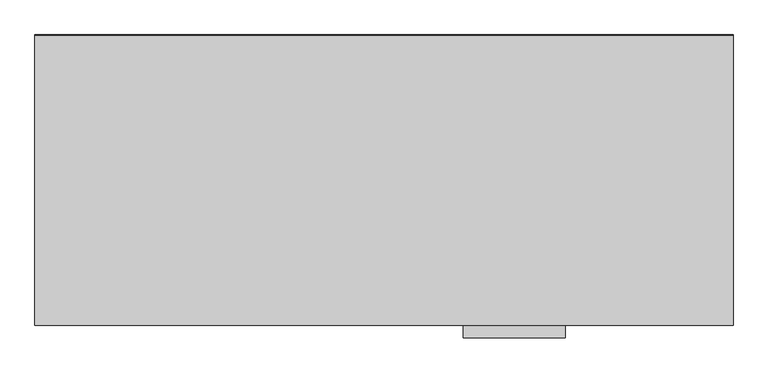
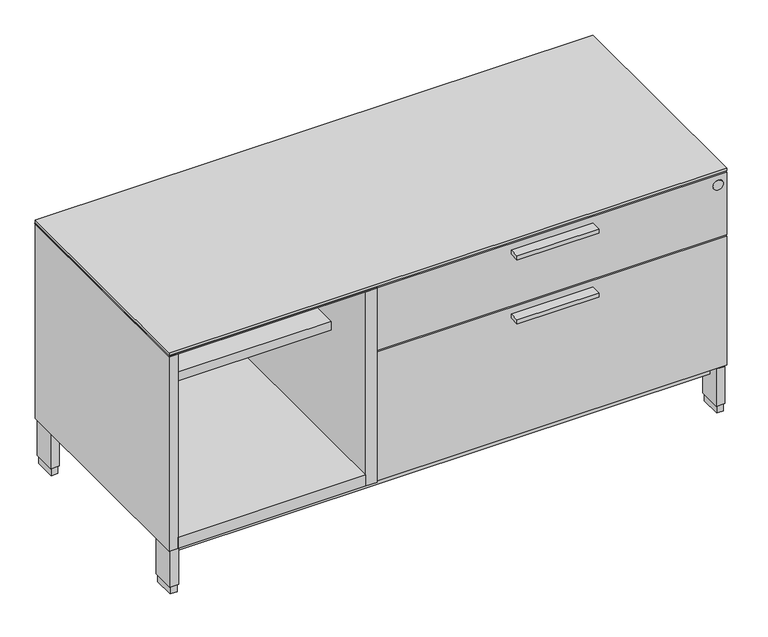
"""IFC4 building model written with IfcOpenShell, lengths in millimetres: furniture geometry."""

from ifc_helpers import new_model, si_unit, point, frame, frame_2d, origin, origin_with_axes, place, context, project, spatial, polyline, circle_curve, trimmed, segment, composite_curve, outline, extrude, source, transform, mapped, element, save


def furniture_b4c6b25c(model_context):
    return source(origin(), model_context, "Body", "SweptSolid", [
        extrude(outline(polyline([(925.5125, -528.574), (747.7125, -528.574), (747.7125, -506.349), (925.5125, -506.349), (925.5125, -528.574)])), frame((0.0, 0.0, 378.83846), z_axis=(0.0, 0.0, 1.0), x_axis=(1.0, 0.0, 0.0)), (0.0, 0.0, 1.0), 9.525),
        extrude(outline(polyline([(925.5125, -528.574), (747.7125, -528.574), (747.7125, -506.349), (925.5125, -506.349), (925.5125, -528.574)])), frame((0.0, 0.0, 526.28546), z_axis=(0.0, 0.0, 1.0), x_axis=(1.0, 0.0, 0.0)), (0.0, 0.0, 1.0), 9.525),
        extrude(outline(polyline([(21.0185, -20.828), (430.2125, -20.828), (430.2125, -375.8184), (21.0185, -375.8184), (21.0185, -20.828)])), frame((0.0, 0.0, 383.0828), z_axis=(0.0, 0.0, 1.0), x_axis=(1.0, 0.0, 0.0)), (0.0, 0.0, 1.0), 20.3454),
        extrude(outline(polyline([(21.0185, -20.828), (430.2125, -20.828), (430.2125, -506.349), (21.0185, -506.349), (21.0185, -20.828)])), frame((0.0, 0.0, 103.2002), z_axis=(0.0, 0.0, 1.0), x_axis=(1.0, 0.0, 0.0)), (0.0, 0.0, 1.0), 25.4),
        extrude(outline(polyline([(1.5875, 0.0), (1217.6125, 0.0), (1217.6125, -487.172), (455.6125, -487.172), (455.6125, -506.349), (1.5875, -506.349), (1.5875, 0.0)])), frame((0.0, 0.0, 550.8752), z_axis=(0.0, 0.0, 1.0), x_axis=(1.0, 0.0, 0.0)), (0.0, 0.0, 1.0), 1.5875),
        extrude(outline(polyline([(430.2125, -20.828), (455.6125, -20.828), (455.6125, -506.349), (430.2125, -506.349), (430.2125, -20.828)])), frame((0.0, 0.0, 103.2002), z_axis=(0.0, 0.0, 1.0), x_axis=(1.0, 0.0, 0.0)), (0.0, 0.0, 1.0), 447.675),
        extrude(outline(polyline([(21.2979, -5.715), (21.2979, -52.197), (6.5659, -52.197), (6.5659, -5.715), (21.2979, -5.715)])), origin_with_axes(), (0.0, 0.0, 1.0), 17.399),
        extrude(outline(polyline([(21.2979, -455.676), (21.2979, -502.158), (6.5659, -502.158), (6.5659, -455.676), (21.2979, -455.676)])), origin_with_axes(), (0.0, 0.0, 1.0), 17.399),
        extrude(outline(polyline([(1212.6341, -455.676), (1212.6341, -502.158), (1197.9021, -502.158), (1197.9021, -455.676), (1212.6341, -455.676)])), origin_with_axes(), (0.0, 0.0, 1.0), 17.399),
        extrude(outline(polyline([(1212.6341, -5.715), (1212.6341, -52.197), (1197.9021, -52.197), (1197.9021, -5.715), (1212.6341, -5.715)])), origin_with_axes(), (0.0, 0.0, 1.0), 17.399),
        extrude(outline(polyline([(23.4569, -3.556), (23.4569, -54.356), (4.4069, -54.356), (4.4069, -3.556), (23.4569, -3.556)])), frame((0.0, 0.0, 17.399), z_axis=(0.0, 0.0, 1.0), x_axis=(1.0, 0.0, 0.0)), (0.0, 0.0, 1.0), 85.8012),
        extrude(outline(polyline([(1214.7931, -3.556), (1214.7931, -54.356), (1195.7431, -54.356), (1195.7431, -3.556), (1214.7931, -3.556)])), frame((0.0, 0.0, 17.399), z_axis=(0.0, 0.0, 1.0), x_axis=(1.0, 0.0, 0.0)), (0.0, 0.0, 1.0), 85.8012),
        extrude(outline(polyline([(1214.7931, -453.517), (1214.7931, -504.317), (1195.7431, -504.317), (1195.7431, -453.517), (1214.7931, -453.517)])), frame((0.0, 0.0, 17.399), z_axis=(0.0, 0.0, 1.0), x_axis=(1.0, 0.0, 0.0)), (0.0, 0.0, 1.0), 85.8012),
        extrude(outline(polyline([(23.4569, -453.517), (23.4569, -504.317), (4.4069, -504.317), (4.4069, -453.517), (23.4569, -453.517)])), frame((0.0, 0.0, 17.399), z_axis=(0.0, 0.0, 1.0), x_axis=(1.0, 0.0, 0.0)), (0.0, 0.0, 1.0), 85.8012),
        extrude(outline(polyline([(1195.7431, -26.99766), (1195.7431, -480.87534), (23.4569, -480.87534), (23.4569, -26.99766), (1195.7431, -26.99766)])), frame((0.0, 0.0, 77.8002), z_axis=(0.0, 0.0, 1.0), x_axis=(1.0, 0.0, 0.0)), (0.0, 0.0, 1.0), 25.4),
        extrude(outline(polyline([(1217.6125, -487.172), (1217.6125, -506.349), (455.6125, -506.349), (455.6125, -487.172), (1217.6125, -487.172)])), frame((0.0, 0.0, 106.3752), z_axis=(0.0, 0.0, 1.0), x_axis=(1.0, 0.0, 0.0)), (0.0, 0.0, 1.0), 297.053),
        extrude(outline(polyline([(1217.6125, -487.172), (1217.6125, -506.349), (455.6125, -506.349), (455.6125, -487.172), (1217.6125, -487.172)])), frame((0.0, 0.0, 406.6032), z_axis=(0.0, 0.0, 1.0), x_axis=(1.0, 0.0, 0.0)), (0.0, 0.0, 1.0), 144.272),
        extrude(outline(composite_curve([segment(trimmed(circle_curve(frame_2d((528.3708, 1198.5625)), 11.176), [point((528.3708, 1209.7385))], [point((528.3708, 1187.3865))], False, "CARTESIAN"), True, "CONTINUOUS"), segment(trimmed(circle_curve(frame_2d((528.3708, 1198.5625)), 11.176), [point((528.3708, 1187.3865))], [point((528.3708, 1209.7385))], False, "CARTESIAN"), True, "CONTINUOUS")], self_intersect=False)), frame((0.0, -506.9614948, 0.0), z_axis=(0.0, 1.0, 0.0), x_axis=(0.0, 0.0, 1.0)), (0.0, 0.0, 1.0), 5.0524148),
        extrude(outline(polyline([(1217.6125, -506.349), (1.5875, -506.349), (1.5875, -1.524), (1217.6125, -1.524), (1217.6125, -506.349)])), frame((0.0, 0.0, 554.0502), z_axis=(0.0, 0.0, 1.0), x_axis=(1.0, 0.0, 0.0)), (0.0, 0.0, 1.0), 6.35),
        extrude(outline(polyline([(1.5875, -1.524), (1217.6125, -1.524), (1217.6125, -483.2858), (1198.1815, -483.2858), (1198.1815, -20.828), (21.0185, -20.828), (21.0185, -506.349), (1.5875, -506.349), (1.5875, -1.524)])), frame((0.0, 0.0, 103.2002), z_axis=(0.0, 0.0, 1.0), x_axis=(1.0, 0.0, 0.0)), (0.0, 0.0, 1.0), 447.675),
    ])


if __name__ == "__main__":
    model = new_model("IFC4")
    model_context = context("Model", 3, world=origin())
    ifc_project = project(units=[si_unit("LENGTHUNIT", "METRE", prefix="MILLI")], contexts=[model_context])
    site = spatial("IfcSite", under=ifc_project)
    building = spatial("IfcBuilding", under=site)
    placement = place(None, origin())
    furniture_shape = furniture_b4c6b25c(model_context)
    element("IfcFurniture", 1, at=placement, inside=building, context=model_context, shape_type="MappedRepresentation", body=[
        mapped(furniture_shape, transform((0.0, 0.0, 0.0), x_axis=(1.0, 0.0, 0.0), y_axis=(0.0, 1.0, 0.0), z_axis=(0.0, 0.0, 1.0))),
    ])
    save(model, "model.ifc")
